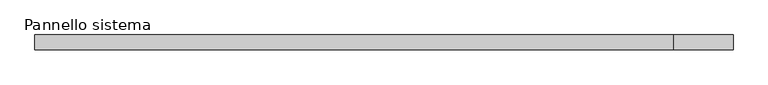
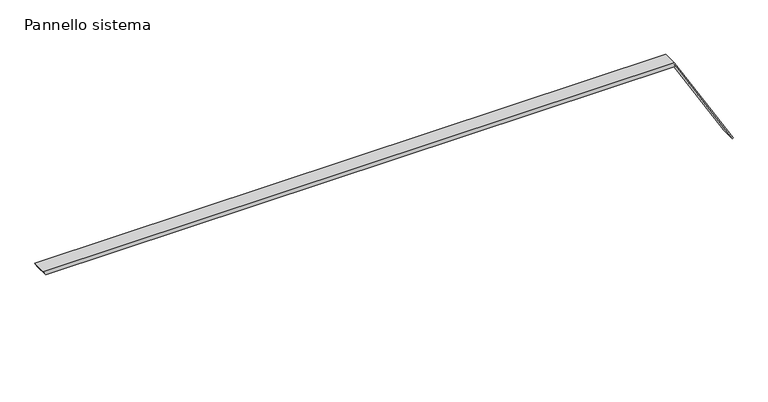
"""IFC4 building model written with IfcOpenShell, lengths in millimetres: plate geometry, Pannello sistema."""

from ifc_helpers import new_model, si_unit, frame, origin, place, context, project, spatial, polyline, outline, extrude, source, transform, mapped, element, save


def pannello_sistema_0a29eca9(model_context):
    return source(origin(), model_context, "Body", "SweptSolid", [
        extrude(outline(polyline([(0.0, 588.2774141), (0.9864343, 589.9520472), (171.6922974, 489.3986093), (171.6922974, -589.9520472), (164.2240181, -585.5528945), (164.2240181, 491.5420747), (0.0, 588.2774141)])), frame((0.0, -12.5, 0.0), z_axis=(0.0, 1.0, 0.0), x_axis=(0.0, 0.0, 1.0)), (0.0, 0.0, 1.0), 25.0),
    ])


if __name__ == "__main__":
    model = new_model("IFC4")
    model_context = context("Model", 3, world=origin())
    ifc_project = project(units=[si_unit("LENGTHUNIT", "METRE", prefix="MILLI")], contexts=[model_context])
    site = spatial("IfcSite", under=ifc_project)
    building = spatial("IfcBuilding", under=site)
    placement = place(None, origin())
    pannello_sistema_shape = pannello_sistema_0a29eca9(model_context)
    element("IfcPlate", 1, ObjectType="Pannello sistema", at=placement, inside=building, context=model_context, shape_type="MappedRepresentation", body=[
        mapped(pannello_sistema_shape, transform((0.0, 0.0, 0.0), x_axis=(1.0, 0.0, 0.0), y_axis=(0.0, 1.0, 0.0), z_axis=(0.0, 0.0, 1.0))),
    ])
    save(model, "model.ifc")
